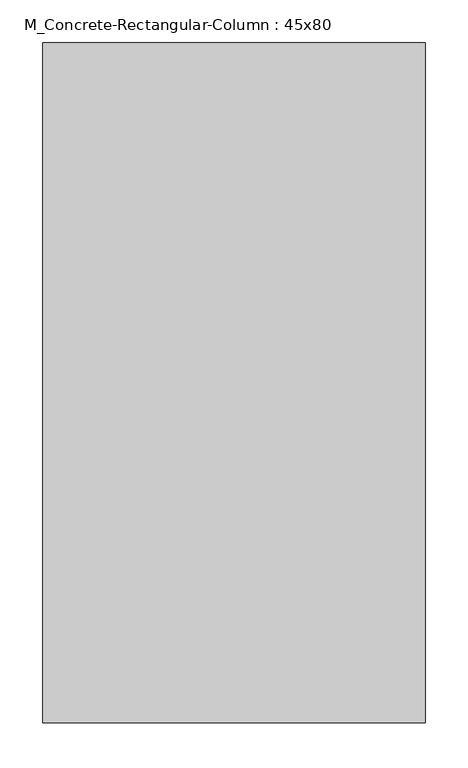
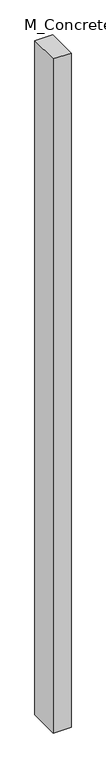
"""IFC4 building model written with IfcOpenShell, lengths in millimetres: column geometry, M_Concrete-Rectangular-Column : 45x80."""

from ifc_helpers import new_model, si_unit, origin, origin_with_axes, place, context, project, spatial, polyline, outline, extrude, source, transform, mapped, element, save


def m_concrete_rectangular_column_45x80_7782c333(model_context):
    return source(origin(), model_context, "Body", "SweptSolid", [
        extrude(outline(polyline([(225.0, 400.0), (225.0, -400.0), (-225.0, -400.0), (-225.0, 400.0), (225.0, 400.0)])), origin_with_axes(), (0.0, 0.0, 1.0), 18000.0),
    ])


if __name__ == "__main__":
    model = new_model("IFC4")
    model_context = context("Model", 3, world=origin())
    ifc_project = project(units=[si_unit("LENGTHUNIT", "METRE", prefix="MILLI")], contexts=[model_context])
    site = spatial("IfcSite", under=ifc_project)
    building = spatial("IfcBuilding", under=site)
    placement = place(None, origin())
    m_concrete_rectangular_column_45x80_shape = m_concrete_rectangular_column_45x80_7782c333(model_context)
    element("IfcColumn", 1, ObjectType="M_Concrete-Rectangular-Column : 45x80", at=placement, inside=building, context=model_context, shape_type="MappedRepresentation", body=[
        mapped(m_concrete_rectangular_column_45x80_shape, transform((0.0, 0.0, 0.0), x_axis=(1.0, 0.0, 0.0), y_axis=(0.0, 1.0, 0.0), z_axis=(0.0, 0.0, 1.0))),
    ])
    save(model, "model.ifc")
